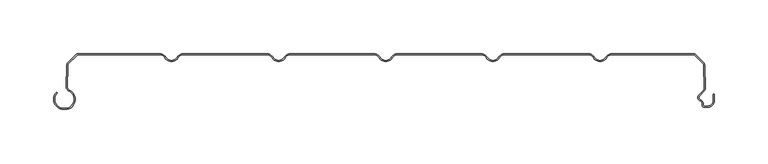
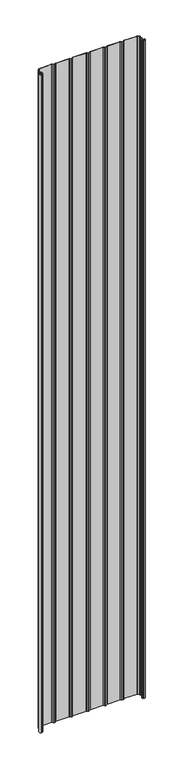
"""IFC4 building model written with IfcOpenShell, lengths in millimetres: plate geometry."""

from ifc_helpers import new_model, si_unit, point, frame_2d, origin, origin_with_axes, place, context, project, spatial, polyline, circle_curve, trimmed, segment, composite_curve, outline, extrude, source, transform, mapped, element, save


def plate_4fb1a799(model_context):
    return source(origin(), model_context, "Body", "SweptSolid", [
        extrude(outline(composite_curve([segment(polyline([(-300.5602537, -51.1554676), (-299.3062537, -51.1554676)]), True, "CONTINUOUS"), segment(trimmed(circle_curve(frame_2d((-299.3062537, -42.6554676)), 8.5), [point((-299.3062537, -51.1554676))], [point((-295.7922984, -34.9158218))], True, "CARTESIAN"), True, "CONTINUOUS"), segment(trimmed(circle_curve(frame_2d((-294.0973318, -31.1825808)), 4.1), [point((-295.7922984, -34.9158218))], [point((-298.1663399, -30.6794178))], False, "CARTESIAN"), True, "CONTINUOUS"), segment(trimmed(circle_curve(frame_2d((-397.0345924, -19.4848369)), 99.5), [point((-298.1663399, -30.6794178))], [point((-297.8298401, -11.8253904))], True, "CARTESIAN"), True, "CONTINUOUS"), segment(trimmed(circle_curve(frame_2d((-293.7516342, -11.4032093)), 4.1), [point((-297.8298401, -11.8253904))], [point((-296.6507721, -8.5040715))], False, "CARTESIAN"), True, "CONTINUOUS"), segment(polyline([(-296.6507721, -8.5040715), (-289.3475628, -1.2008622)]), True, "CONTINUOUS"), segment(trimmed(circle_curve(frame_2d((-286.448425, -4.1)), 4.1), [point((-289.3475628, -1.2008622))], [point((-286.448425, 0.0))], False, "CARTESIAN"), True, "CONTINUOUS"), segment(polyline([(-286.448425, 0.0), (-211.2583302, 0.0)]), True, "CONTINUOUS"), segment(trimmed(circle_curve(frame_2d((-211.2583302, -7.0)), 7.0), [point((-211.2583302, 0.0))], [point((-205.1961524, -3.5))], False, "CARTESIAN"), True, "CONTINUOUS"), segment(trimmed(circle_curve(frame_2d((-200.0, -0.5)), 6.0), [point((-205.1961524, -3.5))], [point((-200.0, -6.5))], True, "CARTESIAN"), True, "CONTINUOUS"), segment(trimmed(circle_curve(frame_2d((-200.0, -0.5)), 6.0), [point((-200.0, -6.5))], [point((-194.8038476, -3.5))], True, "CARTESIAN"), True, "CONTINUOUS"), segment(trimmed(circle_curve(frame_2d((-188.7416698, -7.0)), 7.0), [point((-194.8038476, -3.5))], [point((-188.7416698, 0.0))], False, "CARTESIAN"), True, "CONTINUOUS"), segment(polyline([(-188.7416698, 0.0), (-111.2583302, 0.0)]), True, "CONTINUOUS"), segment(trimmed(circle_curve(frame_2d((-111.2583302, -7.0)), 7.0), [point((-111.2583302, 0.0))], [point((-105.1961524, -3.5))], False, "CARTESIAN"), True, "CONTINUOUS"), segment(trimmed(circle_curve(frame_2d((-100.0, -0.5)), 6.0), [point((-105.1961524, -3.5))], [point((-100.0, -6.5))], True, "CARTESIAN"), True, "CONTINUOUS"), segment(trimmed(circle_curve(frame_2d((-100.0, -0.5)), 6.0), [point((-100.0, -6.5))], [point((-94.8038476, -3.5))], True, "CARTESIAN"), True, "CONTINUOUS"), segment(trimmed(circle_curve(frame_2d((-88.7416698, -7.0)), 7.0), [point((-94.8038476, -3.5))], [point((-88.7416698, 0.0))], False, "CARTESIAN"), True, "CONTINUOUS"), segment(polyline([(-88.7416698, 0.0), (-11.2583302, 0.0)]), True, "CONTINUOUS"), segment(trimmed(circle_curve(frame_2d((-11.2583302, -7.0)), 7.0), [point((-11.2583302, 0.0))], [point((-5.1961524, -3.5))], False, "CARTESIAN"), True, "CONTINUOUS"), segment(trimmed(circle_curve(frame_2d((0.0, -0.5)), 6.0), [point((-5.1961524, -3.5))], [point((0.0, -6.5))], True, "CARTESIAN"), True, "CONTINUOUS"), segment(trimmed(circle_curve(frame_2d((0.0, -0.5)), 6.0), [point((0.0, -6.5))], [point((5.1961524, -3.5))], True, "CARTESIAN"), True, "CONTINUOUS"), segment(trimmed(circle_curve(frame_2d((11.2583302, -7.0)), 7.0), [point((5.1961524, -3.5))], [point((11.2583302, 0.0))], False, "CARTESIAN"), True, "CONTINUOUS"), segment(polyline([(11.2583302, 0.0), (88.7416698, 0.0)]), True, "CONTINUOUS"), segment(trimmed(circle_curve(frame_2d((88.7416698, -7.0)), 7.0), [point((88.7416698, 0.0))], [point((94.8038476, -3.5))], False, "CARTESIAN"), True, "CONTINUOUS"), segment(trimmed(circle_curve(frame_2d((100.0, -0.5)), 6.0), [point((94.8038476, -3.5))], [point((100.0, -6.5))], True, "CARTESIAN"), True, "CONTINUOUS"), segment(trimmed(circle_curve(frame_2d((100.0, -0.5)), 6.0), [point((100.0, -6.5))], [point((105.1961524, -3.5))], True, "CARTESIAN"), True, "CONTINUOUS"), segment(trimmed(circle_curve(frame_2d((111.2583302, -7.0)), 7.0), [point((105.1961524, -3.5))], [point((111.2583302, 0.0))], False, "CARTESIAN"), True, "CONTINUOUS"), segment(polyline([(111.2583302, 0.0), (188.7416698, 0.0)]), True, "CONTINUOUS"), segment(trimmed(circle_curve(frame_2d((188.7416698, -7.0)), 7.0), [point((188.7416698, 0.0))], [point((194.8038476, -3.5))], False, "CARTESIAN"), True, "CONTINUOUS"), segment(trimmed(circle_curve(frame_2d((200.0, -0.5)), 6.0), [point((194.8038476, -3.5))], [point((200.0, -6.5))], True, "CARTESIAN"), True, "CONTINUOUS"), segment(trimmed(circle_curve(frame_2d((200.0, -0.5)), 6.0), [point((200.0, -6.5))], [point((205.1961524, -3.5))], True, "CARTESIAN"), True, "CONTINUOUS"), segment(trimmed(circle_curve(frame_2d((211.2583302, -7.0)), 7.0), [point((205.1961524, -3.5))], [point((211.2583302, 0.0))], False, "CARTESIAN"), True, "CONTINUOUS"), segment(polyline([(211.2583302, 0.0), (286.448425, 0.0)]), True, "CONTINUOUS"), segment(trimmed(circle_curve(frame_2d((286.448425, -4.1)), 4.1), [point((286.448425, 0.0))], [point((289.3475628, -1.2008622))], False, "CARTESIAN"), True, "CONTINUOUS"), segment(polyline([(289.3475628, -1.2008622), (296.6502641, -8.5035635)]), True, "CONTINUOUS"), segment(trimmed(circle_curve(frame_2d((293.7511263, -11.4027013)), 4.1), [point((296.6502641, -8.5035635))], [point((297.8293419, -11.8247881))], False, "CARTESIAN"), True, "CONTINUOUS"), segment(trimmed(circle_curve(frame_2d((397.0375762, -19.4390014)), 99.5), [point((297.8293419, -11.8247881))], [point((298.2850443, -31.6122279))], True, "CARTESIAN"), True, "CONTINUOUS"), segment(trimmed(circle_curve(frame_2d((293.9914802, -32.1706247)), 4.3297228), [point((298.2850443, -31.6122279))], [point((296.9270443, -35.3532279))], False, "CARTESIAN"), True, "CONTINUOUS"), segment(polyline([(296.9270443, -35.3532279), (292.893169, -39.3871033)]), True, "CONTINUOUS"), segment(trimmed(circle_curve(frame_2d((294.4488039, -40.9427382)), 2.2), [point((292.893169, -39.3871033))], [point((293.6238714, -42.98222))], True, "CARTESIAN"), True, "CONTINUOUS"), segment(trimmed(circle_curve(frame_2d((292.0490001, -46.8757763)), 4.2), [point((293.6238714, -42.98222))], [point((296.2490002, -46.8757763))], False, "CARTESIAN"), True, "CONTINUOUS"), segment(polyline([(296.2490002, -46.8757763), (296.2490002, -48.0)]), True, "CONTINUOUS"), segment(trimmed(circle_curve(frame_2d((297.2490002, -48.0)), 1.0), [point((296.2490002, -48.0))], [point((297.2490002, -49.0))], True, "CARTESIAN"), True, "CONTINUOUS"), segment(polyline([(297.2490002, -49.0), (300.5500002, -49.0)]), True, "CONTINUOUS"), segment(trimmed(circle_curve(frame_2d((300.5500002, -43.8)), 5.2), [point((300.5500002, -49.0))], [point((305.7500002, -43.8))], True, "CARTESIAN"), True, "CONTINUOUS"), segment(polyline([(305.7500002, -43.8), (305.7500002, -38.169), (306.7500002, -38.169), (306.7500002, -43.8)]), True, "CONTINUOUS"), segment(trimmed(circle_curve(frame_2d((300.5500002, -43.8)), 6.2), [point((306.7500002, -43.8))], [point((300.5500002, -50.0))], False, "CARTESIAN"), True, "CONTINUOUS"), segment(polyline([(300.5500002, -50.0), (297.2490002, -50.0)]), True, "CONTINUOUS"), segment(trimmed(circle_curve(frame_2d((297.2490002, -48.0)), 2.0), [point((297.2490002, -50.0))], [point((295.2490002, -48.0))], False, "CARTESIAN"), True, "CONTINUOUS"), segment(polyline([(295.2490002, -48.0), (295.2490002, -46.8757763)]), True, "CONTINUOUS"), segment(trimmed(circle_curve(frame_2d((292.0490001, -46.8757763)), 3.2), [point((295.2490002, -46.8757763))], [point((293.248902, -43.9092572))], True, "CARTESIAN"), True, "CONTINUOUS"), segment(trimmed(circle_curve(frame_2d((294.4488039, -40.9427382)), 3.2), [point((293.248902, -43.9092572))], [point((292.1860622, -38.6799965))], False, "CARTESIAN"), True, "CONTINUOUS"), segment(polyline([(292.1860622, -38.6799965), (296.2351435, -34.6309152)]), True, "CONTINUOUS"), segment(trimmed(circle_curve(frame_2d((293.9914802, -32.1706247)), 3.3297228), [point((296.2351435, -34.6309152))], [point((297.2929929, -31.7381109))], True, "CARTESIAN"), True, "CONTINUOUS"), segment(trimmed(circle_curve(frame_2d((397.0375762, -19.4390014)), 100.5), [point((297.2929929, -31.7381109))], [point((296.8333638, -11.7340799))], False, "CARTESIAN"), True, "CONTINUOUS"), segment(trimmed(circle_curve(frame_2d((293.7511263, -11.4027013)), 3.1), [point((296.8333638, -11.7340799))], [point((295.9431573, -9.2106703))], True, "CARTESIAN"), True, "CONTINUOUS"), segment(polyline([(295.9431573, -9.2106703), (288.640456, -1.907969)]), True, "CONTINUOUS"), segment(trimmed(circle_curve(frame_2d((286.448425, -4.1)), 3.1), [point((288.640456, -1.907969))], [point((286.448425, -1.0))], True, "CARTESIAN"), True, "CONTINUOUS"), segment(polyline([(286.448425, -1.0), (211.2583302, -1.0)]), True, "CONTINUOUS"), segment(trimmed(circle_curve(frame_2d((211.2583302, -7.0)), 6.0), [point((211.2583302, -1.0))], [point((206.0621778, -4.0))], True, "CARTESIAN"), True, "CONTINUOUS"), segment(trimmed(circle_curve(frame_2d((200.0, -0.5)), 7.0), [point((206.0621778, -4.0))], [point((200.0, -7.5))], False, "CARTESIAN"), True, "CONTINUOUS"), segment(trimmed(circle_curve(frame_2d((200.0, -0.5)), 7.0), [point((200.0, -7.5))], [point((193.9378222, -4.0))], False, "CARTESIAN"), True, "CONTINUOUS"), segment(trimmed(circle_curve(frame_2d((188.7416698, -7.0)), 6.0), [point((193.9378222, -4.0))], [point((188.7416698, -1.0))], True, "CARTESIAN"), True, "CONTINUOUS"), segment(polyline([(188.7416698, -1.0), (111.2583302, -1.0)]), True, "CONTINUOUS"), segment(trimmed(circle_curve(frame_2d((111.2583302, -7.0)), 6.0), [point((111.2583302, -1.0))], [point((106.0621778, -4.0))], True, "CARTESIAN"), True, "CONTINUOUS"), segment(trimmed(circle_curve(frame_2d((100.0, -0.5)), 7.0), [point((106.0621778, -4.0))], [point((100.0, -7.5))], False, "CARTESIAN"), True, "CONTINUOUS"), segment(trimmed(circle_curve(frame_2d((100.0, -0.5)), 7.0), [point((100.0, -7.5))], [point((93.9378222, -4.0))], False, "CARTESIAN"), True, "CONTINUOUS"), segment(trimmed(circle_curve(frame_2d((88.7416698, -7.0)), 6.0), [point((93.9378222, -4.0))], [point((88.7416698, -1.0))], True, "CARTESIAN"), True, "CONTINUOUS"), segment(polyline([(88.7416698, -1.0), (11.2583302, -1.0)]), True, "CONTINUOUS"), segment(trimmed(circle_curve(frame_2d((11.2583302, -7.0)), 6.0), [point((11.2583302, -1.0))], [point((6.0621778, -4.0))], True, "CARTESIAN"), True, "CONTINUOUS"), segment(trimmed(circle_curve(frame_2d((0.0, -0.5)), 7.0), [point((6.0621778, -4.0))], [point((0.0, -7.5))], False, "CARTESIAN"), True, "CONTINUOUS"), segment(trimmed(circle_curve(frame_2d((0.0, -0.5)), 7.0), [point((0.0, -7.5))], [point((-6.0621778, -4.0))], False, "CARTESIAN"), True, "CONTINUOUS"), segment(trimmed(circle_curve(frame_2d((-11.2583302, -7.0)), 6.0), [point((-6.0621778, -4.0))], [point((-11.2583302, -1.0))], True, "CARTESIAN"), True, "CONTINUOUS"), segment(polyline([(-11.2583302, -1.0), (-88.7416698, -1.0)]), True, "CONTINUOUS"), segment(trimmed(circle_curve(frame_2d((-88.7416698, -7.0)), 6.0), [point((-88.7416698, -1.0))], [point((-93.9378222, -4.0))], True, "CARTESIAN"), True, "CONTINUOUS"), segment(trimmed(circle_curve(frame_2d((-100.0, -0.5)), 7.0), [point((-93.9378222, -4.0))], [point((-100.0, -7.5))], False, "CARTESIAN"), True, "CONTINUOUS"), segment(trimmed(circle_curve(frame_2d((-100.0, -0.5)), 7.0), [point((-100.0, -7.5))], [point((-106.0621778, -4.0))], False, "CARTESIAN"), True, "CONTINUOUS"), segment(trimmed(circle_curve(frame_2d((-111.2583302, -7.0)), 6.0), [point((-106.0621778, -4.0))], [point((-111.2583302, -1.0))], True, "CARTESIAN"), True, "CONTINUOUS"), segment(polyline([(-111.2583302, -1.0), (-188.7416698, -1.0)]), True, "CONTINUOUS"), segment(trimmed(circle_curve(frame_2d((-188.7416698, -7.0)), 6.0), [point((-188.7416698, -1.0))], [point((-193.9378222, -4.0))], True, "CARTESIAN"), True, "CONTINUOUS"), segment(trimmed(circle_curve(frame_2d((-200.0, -0.5)), 7.0), [point((-193.9378222, -4.0))], [point((-200.0, -7.5))], False, "CARTESIAN"), True, "CONTINUOUS"), segment(trimmed(circle_curve(frame_2d((-200.0, -0.5)), 7.0), [point((-200.0, -7.5))], [point((-206.0621778, -4.0))], False, "CARTESIAN"), True, "CONTINUOUS"), segment(trimmed(circle_curve(frame_2d((-211.2583302, -7.0)), 6.0), [point((-206.0621778, -4.0))], [point((-211.2583302, -1.0))], True, "CARTESIAN"), True, "CONTINUOUS"), segment(polyline([(-211.2583302, -1.0), (-286.448425, -1.0)]), True, "CONTINUOUS"), segment(trimmed(circle_curve(frame_2d((-286.448425, -4.1)), 3.1), [point((-286.448425, -1.0))], [point((-288.640456, -1.907969))], True, "CARTESIAN"), True, "CONTINUOUS"), segment(polyline([(-288.640456, -1.907969), (-295.9436653, -9.2111782)]), True, "CONTINUOUS"), segment(trimmed(circle_curve(frame_2d((-293.7516342, -11.4032093)), 3.1), [point((-295.9436653, -9.2111782))], [point((-296.8338856, -11.7344595))], True, "CARTESIAN"), True, "CONTINUOUS"), segment(trimmed(circle_curve(frame_2d((-397.0345924, -19.4848369)), 100.5), [point((-296.8338856, -11.7344595))], [point((-297.1733095, -30.7974036))], False, "CARTESIAN"), True, "CONTINUOUS"), segment(trimmed(circle_curve(frame_2d((-294.0973318, -31.1825808)), 3.1), [point((-297.1733095, -30.7974036))], [point((-295.378892, -34.0052752))], True, "CARTESIAN"), True, "CONTINUOUS"), segment(trimmed(circle_curve(frame_2d((-299.3062537, -42.6554676)), 9.5), [point((-295.378892, -34.0052752))], [point((-299.3062537, -52.1554676))], False, "CARTESIAN"), True, "CONTINUOUS"), segment(polyline([(-299.3062537, -52.1554676), (-300.5602537, -52.1554676)]), True, "CONTINUOUS"), segment(trimmed(circle_curve(frame_2d((-300.5602537, -42.6554676)), 9.5), [point((-300.5602537, -52.1554676))], [point((-307.2777682, -35.9379532))], False, "CARTESIAN"), True, "CONTINUOUS"), segment(polyline([(-307.2777682, -35.9379532), (-306.5706614, -36.64506)]), True, "CONTINUOUS"), segment(trimmed(circle_curve(frame_2d((-300.5602537, -42.6554676)), 8.5), [point((-306.5706614, -36.64506))], [point((-300.5602537, -51.1554676))], True, "CARTESIAN"), True, "CONTINUOUS")], self_intersect=False)), origin_with_axes(), (0.0, 0.0, 1.0), 4061.7064475),
    ])


if __name__ == "__main__":
    model = new_model("IFC4")
    model_context = context("Model", 3, world=origin())
    ifc_project = project(units=[si_unit("LENGTHUNIT", "METRE", prefix="MILLI")], contexts=[model_context])
    site = spatial("IfcSite", under=ifc_project)
    building = spatial("IfcBuilding", under=site)
    placement = place(None, origin())
    plate_shape = plate_4fb1a799(model_context)
    element("IfcPlate", 1, at=placement, inside=building, context=model_context, shape_type="MappedRepresentation", body=[
        mapped(plate_shape, transform((0.0, 0.0, 0.0), x_axis=(1.0, 0.0, 0.0), y_axis=(0.0, 1.0, 0.0), z_axis=(0.0, 0.0, 1.0))),
    ])
    save(model, "model.ifc")
